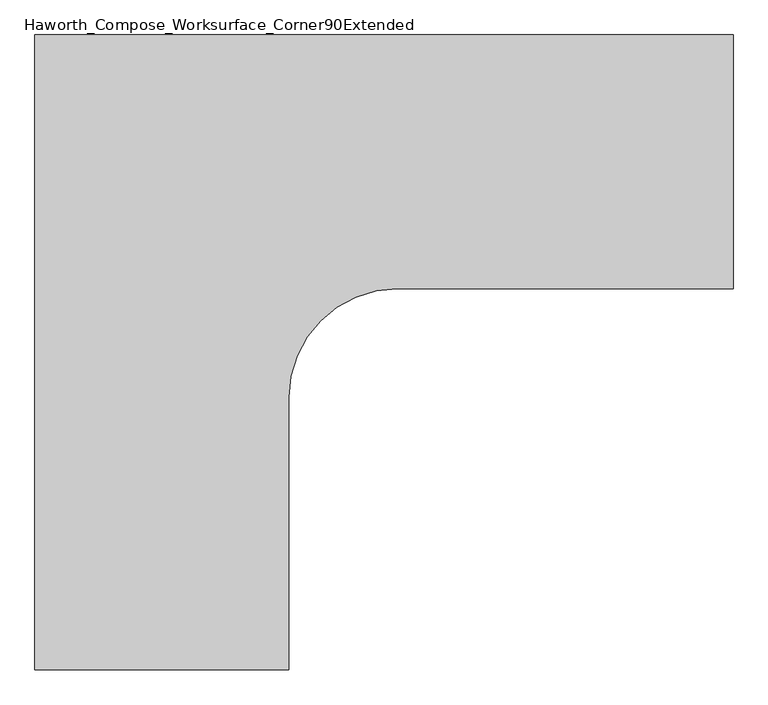
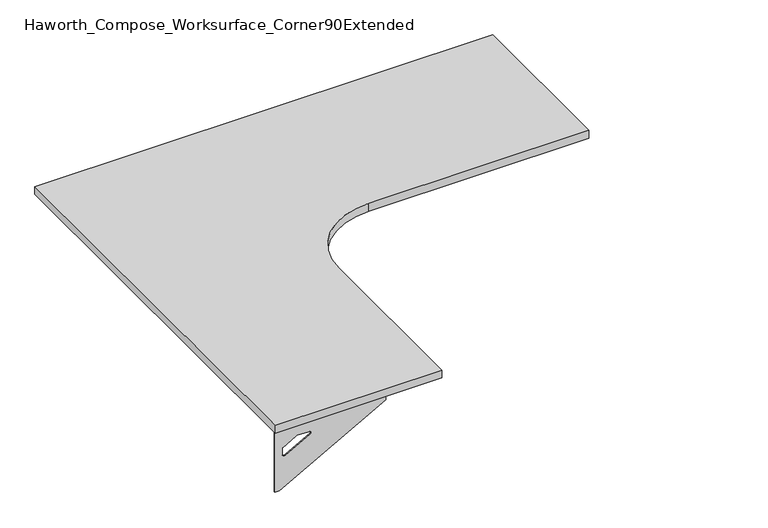
"""IFC4 building model written with IfcOpenShell, lengths in millimetres: furniture geometry, Haworth_Compose_Worksurface_Corner90Extended."""

from ifc_helpers import new_model, si_unit, point, frame, frame_2d, origin, place, context, project, spatial, polyline, circle_curve, trimmed, segment, composite_curve, outline, extrude, source, transform, mapped, element, save
from ifc_brep_helpers import plane_surface, revolved_surface, advanced_brep


def haworth_compose_worksurface_corner90extended_0a851dd4(model_context):
    return source(origin(), model_context, "Body", "SolidModel", [
        advanced_brep(
        [(985.04375, 152.4, 475.45625), (985.04375, 136.525, 475.45625), (985.04375, -254.0, 691.7192568), (985.04375, -254.0, 704.05625), (985.04375, 136.525, 704.05625), (985.04375, 152.4, 704.05625), (985.04375, 69.090072, 665.95625), (985.04375, 25.4355284, 665.95625), (985.04375, 22.7564235, 656.3705539), (985.04375, 114.4776173, 605.5776439), (985.04375, 123.825, 611.1756969), (985.04375, 123.825, 634.6860246), (985.04375, 122.0730055, 637.5242776), (985.04375, 72.1663437, 665.1613425), (987.425, 152.4, 475.45625), (987.425, 152.4, 704.05625), (987.425, 136.525, 704.05625), (987.425, 136.525, 706.4375), (987.425, -254.0, 706.4375), (987.425, -254.0, 691.7192568), (987.425, 136.525, 475.45625), (987.425, 69.090072, 665.95625), (987.425, 72.1663437, 665.1613425), (987.425, 122.0730055, 637.5242776), (987.425, 123.825, 634.6860246), (987.425, 123.825, 611.1756969), (987.425, 114.4776173, 605.5776439), (987.425, 22.7564235, 656.3705539), (987.425, 25.4355284, 665.95625), (946.15, -254.0, 706.4375), (946.15, -254.0, 704.05625), (946.15, 136.525, 704.05625), (946.15, 136.525, 706.4375)],
        [
            (0, 1),
            (1, 2),
            (2, 3),
            (3, 4),
            (4, 5),
            (5, 0),
            (6, 7),
            (7, 8, circle_curve(frame((985.04375, 25.4355284, 660.7890106), z_axis=(1.0, 0.0, 0.0), x_axis=(0.0, -1.0, 0.0)), 5.1672394)),
            (8, 9),
            (9, 10, circle_curve(frame((985.04375, 117.475, 611.1756969), z_axis=(1.0, 0.0, 0.0), x_axis=(0.0, -1.0, 0.0)), 6.35)),
            (10, 11),
            (11, 12, circle_curve(frame((985.04375, 120.65, 634.6860246), z_axis=(1.0, 0.0, 0.0), x_axis=(0.0, -1.0, 0.0)), 3.175)),
            (12, 13),
            (13, 6, circle_curve(frame((985.04375, 69.090072, 659.60625), z_axis=(1.0, 0.0, 0.0), x_axis=(0.0, -1.0, 0.0)), 6.35)),
            (14, 15),
            (15, 16),
            (16, 17),
            (17, 18),
            (18, 19),
            (19, 20),
            (20, 14),
            (21, 22, circle_curve(frame((987.425, 69.090072, 659.60625), z_axis=(-1.0, 0.0, 0.0), x_axis=(0.0, -1.0, 0.0)), 6.35)),
            (22, 23),
            (23, 24, circle_curve(frame((987.425, 120.65, 634.6860246), z_axis=(-1.0, 0.0, 0.0), x_axis=(0.0, -1.0, 0.0)), 3.175)),
            (24, 25),
            (25, 26, circle_curve(frame((987.425, 117.475, 611.1756969), z_axis=(-1.0, 0.0, 0.0), x_axis=(0.0, -1.0, 0.0)), 6.35)),
            (26, 27),
            (27, 28, circle_curve(frame((987.425, 25.4355284, 660.7890106), z_axis=(-1.0, 0.0, 0.0), x_axis=(0.0, -1.0, 0.0)), 5.1672394)),
            (28, 21),
            (4, 16),
            (15, 5),
            (14, 0),
            (20, 1),
            (19, 2),
            (18, 29),
            (29, 30),
            (30, 3),
            (6, 21),
            (28, 7),
            (9, 26),
            (25, 10),
            (24, 11),
            (23, 12),
            (27, 8),
            (31, 4),
            (30, 31),
            (32, 29),
            (17, 32),
            (31, 32),
            (22, 13),
        ],
        [
            plane_surface(frame((985.04375, 152.4, 475.45625), z_axis=(-1.0, 0.0, 0.0), x_axis=(0.0, 1.0, 0.0))),
            plane_surface(frame((987.425, 152.4, 475.45625), z_axis=(1.0, 0.0, 0.0), x_axis=(0.0, -1.0, 0.0))),
            plane_surface(frame((987.425, -254.0, 704.05625), z_axis=(0.0, 0.0, 1.0), x_axis=(-1.0, 0.0, 0.0))),
            plane_surface(frame((987.425, 152.4, 704.05625), z_axis=(0.0, 1.0, 0.0), x_axis=(-1.0, 0.0, 0.0))),
            plane_surface(frame((987.425, 152.4, 475.45625), z_axis=(0.0, 0.0, -1.0), x_axis=(-1.0, 0.0, 0.0))),
            plane_surface(frame((987.425, 136.525, 475.45625), z_axis=(0.0, -0.4844522351345575, -0.8748177135112957), x_axis=(-1.0, 0.0, 0.0))),
            plane_surface(frame((987.425, -254.0, 691.7192568), z_axis=(0.0, -1.0, 0.0), x_axis=(-1.0, 0.0, 0.0))),
            plane_surface(frame((987.425, 69.090072, 665.95625), z_axis=(0.0, 0.0, -1.0), x_axis=(-1.0, 0.0, 0.0))),
            revolved_surface(polyline([(985.04375, 111.125, 611.1756969), (987.425, 111.125, 611.1756969)]), (987.425, 117.475, 611.1756969), (-1.0, 0.0, 0.0)),
            plane_surface(frame((987.425, 123.825, 611.1756969), z_axis=(0.0, -1.0, 0.0), x_axis=(-1.0, 0.0, 0.0))),
            revolved_surface(polyline([(985.04375, 117.47500000000001, 634.6860246), (987.425, 117.47500000000001, 634.6860246)]), (987.425, 120.65, 634.6860246), (-1.0, 0.0, 0.0)),
            revolved_surface(polyline([(985.04375, 20.268289, 660.7890106), (987.425, 20.268289, 660.7890106)]), (987.425, 25.4355284, 660.7890106), (-1.0, 0.0, 0.0)),
            plane_surface(frame((987.425, 136.525, 704.05625), z_axis=(0.0, 0.0, -1.0), x_axis=(-1.0, 0.0, 0.0))),
            plane_surface(frame((987.425, 136.525, 706.4375), z_axis=(0.0, 0.0, 1.0), x_axis=(1.0, 0.0, 0.0))),
            plane_surface(frame((946.15, 136.525, 706.4375), z_axis=(0.0, 1.0, 0.0), x_axis=(0.0, 0.0, -1.0))),
            plane_surface(frame((946.15, -254.0, 706.4375), z_axis=(-1.0, 0.0, 0.0), x_axis=(0.0, 0.0, -1.0))),
            plane_surface(frame((987.425, 22.7564235, 656.3705539), z_axis=(0.0, 0.4844522351341526, 0.8748177135115199), x_axis=(-1.0, 0.0, 0.0))),
            plane_surface(frame((987.425, 122.0730055, 637.5242776), z_axis=(0.0, -0.48445223513456226, -0.874817713511293), x_axis=(-1.0, 0.0, 0.0))),
            revolved_surface(polyline([(985.04375, 62.740072000000005, 659.60625), (987.425, 62.740072000000005, 659.60625)]), (987.425, 69.090072, 659.60625), (-1.0, 0.0, 0.0)),
        ],
        [
            (0, [[1, 2, 3, 4, 5, 6], [7, 8, 9, 10, 11, 12, 13, 14]]),
            (1, [[15, 16, 17, 18, 19, 20, 21], [22, 23, 24, 25, 26, 27, 28, 29]]),
            (2, [[-5, 30, -16, 31]]),
            (3, [[-31, -15, 32, -6]]),
            (4, [[-32, -21, 33, -1]]),
            (5, [[-33, -20, 34, -2]]),
            (6, [[-34, -19, 35, 36, 37, -3]]),
            (7, [[38, -29, 39, -7]]),
            (8, [[40, -26, 41, -10]]),
            (9, [[-41, -25, 42, -11]]),
            (10, [[-42, -24, 43, -12]]),
            (11, [[-39, -28, 44, -8]]),
            (12, [[45, -4, -37, 46]]),
            (13, [[47, -35, -18, 48]]),
            (14, [[-17, -30, -45, 49, -48]]),
            (15, [[-36, -47, -49, -46]]),
            (16, [[-44, -27, -40, -9]]),
            (17, [[-43, -23, 50, -13]]),
            (18, [[-50, -22, -38, -14]]),
        ],
    ),
        advanced_brep(
        [(-685.8, -1366.04375, 475.45625), (-685.8, -1366.04375, 704.05625), (-669.925, -1366.04375, 704.05625), (-279.4, -1366.04375, 704.05625), (-279.4, -1366.04375, 691.7192568), (-669.925, -1366.04375, 475.45625), (-602.490072, -1366.04375, 665.95625), (-605.5663437, -1366.04375, 665.1613425), (-655.4730055, -1366.04375, 637.5242776), (-657.225, -1366.04375, 634.6860246), (-657.225, -1366.04375, 611.1756969), (-647.8776173, -1366.04375, 605.5776439), (-556.1564235, -1366.04375, 656.3705539), (-558.8355284, -1366.04375, 665.95625), (-685.8, -1368.425, 475.45625), (-669.925, -1368.425, 475.45625), (-279.4, -1368.425, 691.7192568), (-279.4, -1368.425, 706.4375), (-669.925, -1368.425, 706.4375), (-669.925, -1368.425, 704.05625), (-685.8, -1368.425, 704.05625), (-602.490072, -1368.425, 665.95625), (-558.8355284, -1368.425, 665.95625), (-556.1564235, -1368.425, 656.3705539), (-647.8776173, -1368.425, 605.5776439), (-657.225, -1368.425, 611.1756969), (-657.225, -1368.425, 634.6860246), (-655.4730055, -1368.425, 637.5242776), (-605.5663437, -1368.425, 665.1613425), (-279.4, -1327.15, 704.05625), (-279.4, -1327.15, 706.4375), (-669.925, -1327.15, 704.05625), (-669.925, -1327.15, 706.4375)],
        [
            (0, 1),
            (1, 2),
            (2, 3),
            (3, 4),
            (4, 5),
            (5, 0),
            (6, 7, circle_curve(frame((-602.490072, -1366.04375, 659.60625), z_axis=(0.0, -1.0, 0.0), x_axis=(1.0, 0.0, 0.0)), 6.35)),
            (7, 8),
            (8, 9, circle_curve(frame((-654.05, -1366.04375, 634.6860246), z_axis=(0.0, -1.0, 0.0), x_axis=(1.0, 0.0, 0.0)), 3.175)),
            (9, 10),
            (10, 11, circle_curve(frame((-650.875, -1366.04375, 611.1756969), z_axis=(0.0, -1.0, 0.0), x_axis=(1.0, 0.0, 0.0)), 6.35)),
            (11, 12),
            (12, 13, circle_curve(frame((-558.8355284, -1366.04375, 660.7890106), z_axis=(0.0, -1.0, 0.0), x_axis=(1.0, 0.0, 0.0)), 5.1672394)),
            (13, 6),
            (14, 15),
            (15, 16),
            (16, 17),
            (17, 18),
            (18, 19),
            (19, 20),
            (20, 14),
            (21, 22),
            (22, 23, circle_curve(frame((-558.8355284, -1368.425, 660.7890106), z_axis=(0.0, 1.0, 0.0), x_axis=(1.0, 0.0, 0.0)), 5.1672394)),
            (23, 24),
            (24, 25, circle_curve(frame((-650.875, -1368.425, 611.1756969), z_axis=(0.0, 1.0, 0.0), x_axis=(1.0, 0.0, 0.0)), 6.35)),
            (25, 26),
            (26, 27, circle_curve(frame((-654.05, -1368.425, 634.6860246), z_axis=(0.0, 1.0, 0.0), x_axis=(1.0, 0.0, 0.0)), 3.175)),
            (27, 28),
            (28, 21, circle_curve(frame((-602.490072, -1368.425, 659.60625), z_axis=(0.0, 1.0, 0.0), x_axis=(1.0, 0.0, 0.0)), 6.35)),
            (1, 20),
            (19, 2),
            (0, 14),
            (5, 15),
            (4, 16),
            (3, 29),
            (29, 30),
            (30, 17),
            (13, 22),
            (21, 6),
            (10, 25),
            (24, 11),
            (9, 26),
            (8, 27),
            (12, 23),
            (31, 29),
            (2, 31),
            (32, 18),
            (30, 32),
            (32, 31),
            (7, 28),
        ],
        [
            plane_surface(frame((-685.8, -1366.04375, 475.45625), z_axis=(0.0, 1.0, 0.0), x_axis=(-1.0, 0.0, 0.0))),
            plane_surface(frame((-685.8, -1368.425, 475.45625), z_axis=(0.0, -1.0, 0.0), x_axis=(1.0, 0.0, 0.0))),
            plane_surface(frame((-279.4, -1368.425, 704.05625), z_axis=(0.0, 0.0, 1.0), x_axis=(0.0, 1.0, 0.0))),
            plane_surface(frame((-685.8, -1368.425, 704.05625), z_axis=(-1.0, 0.0, 0.0), x_axis=(0.0, 1.0, 0.0))),
            plane_surface(frame((-685.8, -1368.425, 475.45625), z_axis=(0.0, 0.0, -1.0), x_axis=(0.0, 1.0, 0.0))),
            plane_surface(frame((-669.925, -1368.425, 475.45625), z_axis=(0.4844522351345575, 0.0, -0.8748177135112957), x_axis=(0.0, 1.0, 0.0))),
            plane_surface(frame((-279.4, -1368.425, 691.7192568), z_axis=(1.0, 0.0, 0.0), x_axis=(0.0, 1.0, 0.0))),
            plane_surface(frame((-602.490072, -1368.425, 665.95625), z_axis=(0.0, 0.0, -1.0), x_axis=(0.0, 1.0, 0.0))),
            revolved_surface(polyline([(-644.525, -1366.04375, 611.1756969), (-644.525, -1368.425, 611.1756969)]), (-650.875, -1368.425, 611.1756969), (0.0, 1.0, 0.0)),
            plane_surface(frame((-657.225, -1368.425, 611.1756969), z_axis=(1.0, 0.0, 0.0), x_axis=(0.0, 1.0, 0.0))),
            revolved_surface(polyline([(-650.875, -1366.04375, 634.6860246), (-650.875, -1368.425, 634.6860246)]), (-654.05, -1368.425, 634.6860246), (0.0, 1.0, 0.0)),
            revolved_surface(polyline([(-553.6682890000001, -1366.04375, 660.7890106), (-553.6682890000001, -1368.425, 660.7890106)]), (-558.8355284, -1368.425, 660.7890106), (0.0, 1.0, 0.0)),
            plane_surface(frame((-669.925, -1368.425, 704.05625), z_axis=(0.0, 0.0, -1.0), x_axis=(0.0, 1.0, 0.0))),
            plane_surface(frame((-669.925, -1368.425, 706.4375), z_axis=(0.0, 0.0, 1.0), x_axis=(0.0, -1.0, 0.0))),
            plane_surface(frame((-669.925, -1327.15, 706.4375), z_axis=(-1.0, 0.0, 0.0), x_axis=(0.0, 0.0, -1.0))),
            plane_surface(frame((-279.4, -1327.15, 706.4375), z_axis=(0.0, 1.0, 0.0), x_axis=(0.0, 0.0, -1.0))),
            plane_surface(frame((-556.1564235, -1368.425, 656.3705539), z_axis=(-0.4844522351341526, 0.0, 0.8748177135115199), x_axis=(0.0, 1.0, 0.0))),
            plane_surface(frame((-655.4730055, -1368.425, 637.5242776), z_axis=(0.48445223513456226, 0.0, -0.874817713511293), x_axis=(0.0, 1.0, 0.0))),
            revolved_surface(polyline([(-596.140072, -1366.04375, 659.60625), (-596.140072, -1368.425, 659.60625)]), (-602.490072, -1368.425, 659.60625), (0.0, 1.0, 0.0)),
        ],
        [
            (0, [[1, 2, 3, 4, 5, 6], [7, 8, 9, 10, 11, 12, 13, 14]]),
            (1, [[15, 16, 17, 18, 19, 20, 21], [22, 23, 24, 25, 26, 27, 28, 29]]),
            (2, [[30, -20, 31, -2]]),
            (3, [[-1, 32, -21, -30]]),
            (4, [[-6, 33, -15, -32]]),
            (5, [[-5, 34, -16, -33]]),
            (6, [[-4, 35, 36, 37, -17, -34]]),
            (7, [[-14, 38, -22, 39]]),
            (8, [[-11, 40, -25, 41]]),
            (9, [[-10, 42, -26, -40]]),
            (10, [[-9, 43, -27, -42]]),
            (11, [[-13, 44, -23, -38]]),
            (12, [[45, -35, -3, 46]]),
            (13, [[47, -18, -37, 48]]),
            (14, [[-47, 49, -46, -31, -19]]),
            (15, [[-45, -49, -48, -36]]),
            (16, [[-12, -41, -24, -44]]),
            (17, [[-8, 50, -28, -43]]),
            (18, [[-7, -39, -29, -50]]),
        ],
    ),
        extrude(outline(composite_curve([segment(polyline([(-685.8, 152.4), (990.6, 152.4), (990.6, -457.2), (184.15, -457.2)]), True, "CONTINUOUS"), segment(trimmed(circle_curve(frame_2d((184.15, -717.55)), 260.35), [point((184.15, -457.2))], [point((-76.2, -717.55))], True, "CARTESIAN"), True, "CONTINUOUS"), segment(polyline([(-76.2, -717.55), (-76.2, -1371.6), (-685.8, -1371.6), (-685.8, 152.4)]), True, "CONTINUOUS")], self_intersect=False)), frame((0.0, 0.0, 706.4375), z_axis=(0.0, 0.0, 1.0), x_axis=(1.0, 0.0, 0.0)), (0.0, 0.0, 1.0), 30.1625),
    ])


if __name__ == "__main__":
    model = new_model("IFC4")
    model_context = context("Model", 3, world=origin())
    ifc_project = project(units=[si_unit("LENGTHUNIT", "METRE", prefix="MILLI")], contexts=[model_context])
    site = spatial("IfcSite", under=ifc_project)
    building = spatial("IfcBuilding", under=site)
    placement = place(None, origin())
    haworth_compose_worksurface_corner90extended_shape = haworth_compose_worksurface_corner90extended_0a851dd4(model_context)
    element("IfcFurniture", 1, ObjectType="Haworth_Compose_Worksurface_Corner90Extended", at=placement, inside=building, context=model_context, shape_type="MappedRepresentation", body=[
        mapped(haworth_compose_worksurface_corner90extended_shape, transform((0.0, 0.0, 0.0), x_axis=(1.0, 0.0, 0.0), y_axis=(0.0, 1.0, 0.0), z_axis=(0.0, 0.0, 1.0))),
    ])
    save(model, "model.ifc")
